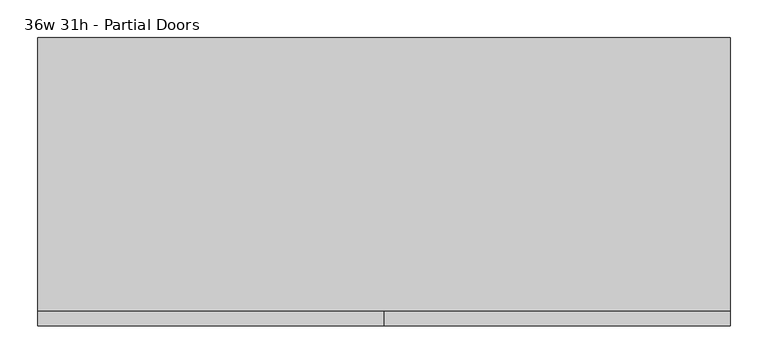
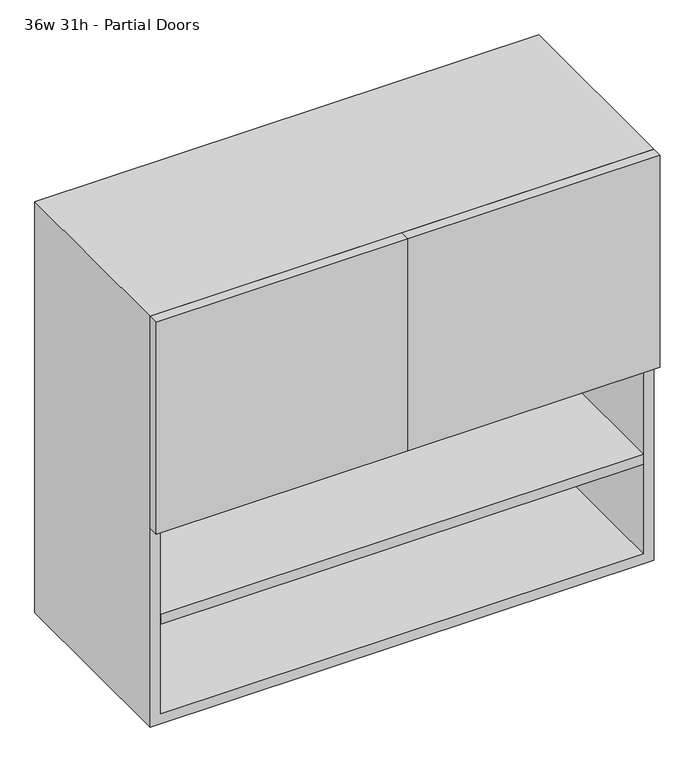
"""IFC4 building model written with IfcOpenShell, lengths in millimetres: furniture geometry, 36w 31h - Partial Doors."""

from ifc_helpers import new_model, si_unit, frame, origin, place, context, project, spatial, polyline, outline, extrude, source, transform, mapped, element, save


def furniture_36w_31h_partial_doors_22fdc3ce(model_context):
    return source(origin(), model_context, "Body", "SweptSolid", [
        extrude(outline(polyline([(438.1569453, 161.925), (438.1569453, -180.975), (-438.1291641, -180.975), (-438.1291641, 161.925), (438.1569453, 161.925)])), frame((0.0, 0.0, 1117.6), z_axis=(0.0, 0.0, 1.0), x_axis=(1.0, 0.0, 0.0)), (0.0, 0.0, 1.0), 19.05),
        extrude(outline(polyline([(438.1569453, 161.925), (438.1569453, -180.975), (-438.1291641, -180.975), (-438.1291641, 161.925), (438.1569453, 161.925)])), frame((0.0, 0.0, 927.1), z_axis=(0.0, 0.0, 1.0), x_axis=(1.0, 0.0, 0.0)), (0.0, 0.0, 1.0), 19.05),
        extrude(outline(polyline([(0.0138906, -200.025), (0.0138906, -180.975), (457.2138906, -180.975), (457.2138906, -200.025), (0.0138906, -200.025)])), frame((0.0, 0.0, 1117.6), z_axis=(0.0, 0.0, 1.0), x_axis=(1.0, 0.0, 0.0)), (0.0, 0.0, 1.0), 406.4),
        extrude(outline(polyline([(0.0138906, -200.025), (-457.1861094, -200.025), (-457.1861094, -180.975), (0.0138906, -180.975), (0.0138906, -200.025)])), frame((0.0, 0.0, 1117.6), z_axis=(0.0, 0.0, 1.0), x_axis=(1.0, 0.0, 0.0)), (0.0, 0.0, 1.0), 406.4),
        extrude(outline(polyline([(736.6, -457.1861094), (736.6, 457.2138906), (1524.0, 457.2138906), (1524.0, -457.1861094), (736.6, -457.1861094)]), holes=[polyline([(755.65, -438.1361094), (1504.95, -438.1361094), (1504.95, 438.1569453), (755.65, 438.1569453), (755.65, -438.1361094)])]), frame((0.0, -180.975, 0.0), z_axis=(0.0, 1.0, 0.0), x_axis=(0.0, 0.0, 1.0)), (0.0, 0.0, 1.0), 361.95),
        extrude(outline(polyline([(-438.1291641, 161.925), (-438.1291641, 180.975), (438.1569453, 180.975), (438.1569453, 161.925), (-438.1291641, 161.925)])), frame((0.0, 0.0, 755.65), z_axis=(0.0, 0.0, 1.0), x_axis=(1.0, 0.0, 0.0)), (0.0, 0.0, 1.0), 749.3),
    ])


if __name__ == "__main__":
    model = new_model("IFC4")
    model_context = context("Model", 3, world=origin())
    ifc_project = project(units=[si_unit("LENGTHUNIT", "METRE", prefix="MILLI")], contexts=[model_context])
    site = spatial("IfcSite", under=ifc_project)
    building = spatial("IfcBuilding", under=site)
    placement = place(None, origin())
    furniture_36w_31h_partial_doors_shape = furniture_36w_31h_partial_doors_22fdc3ce(model_context)
    element("IfcFurniture", 1, ObjectType="36w 31h - Partial Doors", at=placement, inside=building, context=model_context, shape_type="MappedRepresentation", body=[
        mapped(furniture_36w_31h_partial_doors_shape, transform((0.0, 0.0, 0.0), x_axis=(1.0, 0.0, 0.0), y_axis=(0.0, 1.0, 0.0), z_axis=(0.0, 0.0, 1.0))),
    ])
    save(model, "model.ifc")
